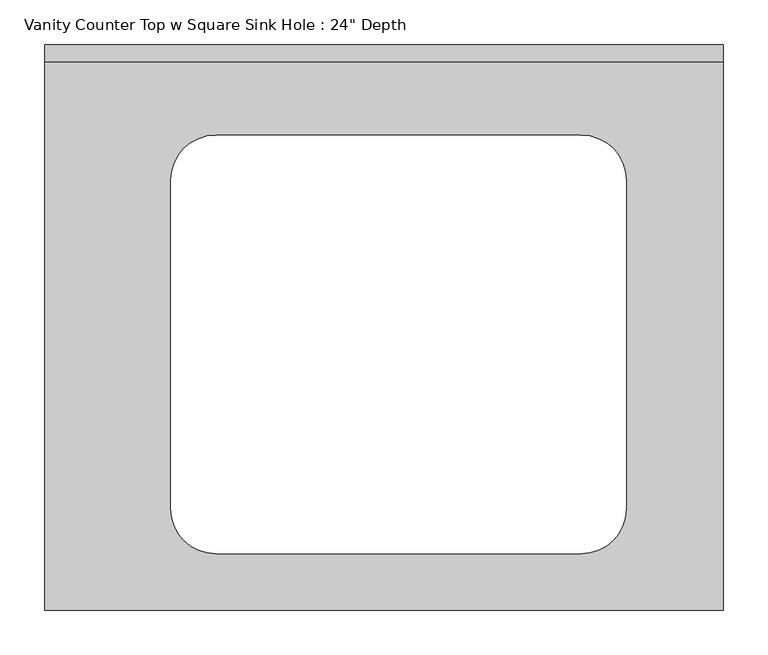
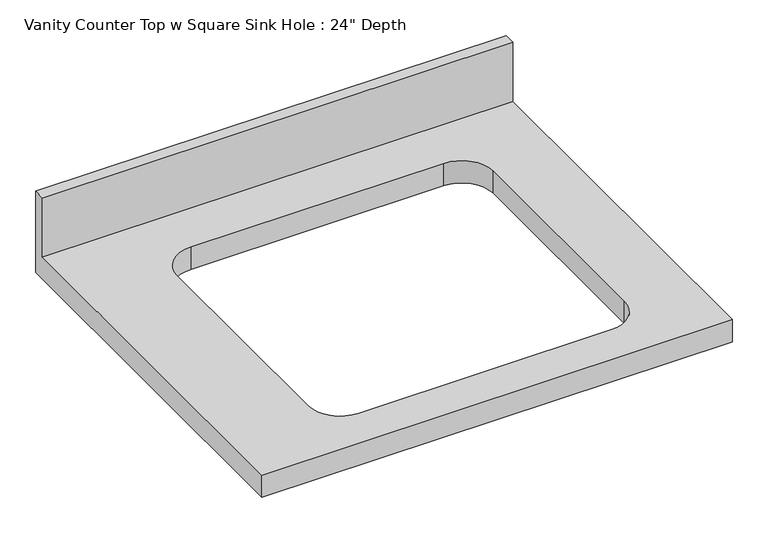
"""IFC4 building model written with IfcOpenShell, lengths in millimetres: furniture geometry."""

from ifc_helpers import new_model, si_unit, frame, origin, place, context, project, spatial, polyline, circle_curve, source, transform, mapped, element, save
from ifc_brep_helpers import plane_surface, revolved_surface, advanced_brep


def furniture_66463aba(model_context):
    return source(origin(), model_context, "Body", "AdvancedBrep", [
        advanced_brep(
        [(-1268.7247951, -635.0, 787.4), (-506.7247951, -635.0, 787.4), (-506.7247951, -19.05, 787.4), (-1268.7247951, -19.05, 787.4), (-1127.1750938, -152.4, 787.4), (-1076.3750938, -101.6, 787.4), (-666.5287654, -101.6, 787.4), (-615.7287654, -152.4, 787.4), (-615.7287654, -520.7, 787.4), (-666.5287654, -571.5, 787.4), (-1076.3750938, -571.5, 787.4), (-1127.1750938, -520.7, 787.4), (-506.7247951, 0.0, 749.3), (-506.7247951, -635.0, 749.3), (-1268.7247951, -635.0, 749.3), (-1268.7247951, 0.0, 749.3), (-1076.3750938, -101.6, 749.3), (-1127.1750938, -152.4, 749.3), (-1127.1750938, -520.7, 749.3), (-1076.3750938, -571.5, 749.3), (-666.5287654, -571.5, 749.3), (-615.7287654, -520.7, 749.3), (-615.7287654, -152.4, 749.3), (-666.5287654, -101.6, 749.3), (-1268.7247951, 0.0, 889.0), (-506.7247951, 0.0, 889.0), (-1268.7247951, -19.05, 889.0), (-506.7247951, -19.05, 889.0)],
        [
            (0, 1),
            (1, 2),
            (2, 3),
            (3, 0),
            (4, 5, circle_curve(frame((-1076.3750938, -152.4, 787.4), z_axis=(0.0, 0.0, -1.0), x_axis=(1.0, 0.0, 0.0)), 50.8)),
            (5, 6),
            (6, 7, circle_curve(frame((-666.5287654, -152.4, 787.4), z_axis=(0.0, 0.0, -1.0), x_axis=(1.0, 0.0, 0.0)), 50.8)),
            (7, 8),
            (8, 9, circle_curve(frame((-666.5287654, -520.7, 787.4), z_axis=(0.0, 0.0, -1.0), x_axis=(1.0, 0.0, 0.0)), 50.8)),
            (9, 10),
            (10, 11, circle_curve(frame((-1076.3750938, -520.7, 787.4), z_axis=(0.0, 0.0, -1.0), x_axis=(1.0, 0.0, 0.0)), 50.8)),
            (11, 4),
            (12, 13),
            (13, 14),
            (14, 15),
            (15, 12),
            (16, 17, circle_curve(frame((-1076.3750938, -152.4, 749.3), z_axis=(0.0, 0.0, 1.0), x_axis=(1.0, 0.0, 0.0)), 50.8)),
            (17, 18),
            (18, 19, circle_curve(frame((-1076.3750938, -520.7, 749.3), z_axis=(0.0, 0.0, 1.0), x_axis=(1.0, 0.0, 0.0)), 50.8)),
            (19, 20),
            (20, 21, circle_curve(frame((-666.5287654, -520.7, 749.3), z_axis=(0.0, 0.0, 1.0), x_axis=(1.0, 0.0, 0.0)), 50.8)),
            (21, 22),
            (22, 23, circle_curve(frame((-666.5287654, -152.4, 749.3), z_axis=(0.0, 0.0, 1.0), x_axis=(1.0, 0.0, 0.0)), 50.8)),
            (23, 16),
            (15, 24),
            (24, 25),
            (25, 12),
            (14, 0),
            (3, 26),
            (26, 24),
            (13, 1),
            (25, 27),
            (27, 2),
            (26, 27),
            (4, 17),
            (16, 5),
            (11, 18),
            (10, 19),
            (9, 20),
            (8, 21),
            (7, 22),
            (6, 23),
        ],
        [
            plane_surface(frame((-1268.7247951, 0.0, 787.4), z_axis=(0.0, 0.0, 1.0), x_axis=(-1.0, 0.0, 0.0))),
            plane_surface(frame((-1268.7247951, 0.0, 749.3), z_axis=(0.0, 0.0, -1.0), x_axis=(1.0, 0.0, 0.0))),
            plane_surface(frame((-506.7247951, 0.0, 787.4), z_axis=(0.0, 1.0, 0.0), x_axis=(0.0, 0.0, -1.0))),
            plane_surface(frame((-1268.7247951, 0.0, 787.4), z_axis=(-1.0, 0.0, 0.0), x_axis=(0.0, 0.0, -1.0))),
            plane_surface(frame((-1268.7247951, -635.0, 787.4), z_axis=(0.0, -1.0, 0.0), x_axis=(0.0, 0.0, -1.0))),
            plane_surface(frame((-506.7247951, -635.0, 787.4), z_axis=(1.0, 0.0, 0.0), x_axis=(0.0, 0.0, -1.0))),
            plane_surface(frame((-1268.7247951, 0.0, 889.0), z_axis=(0.0, 0.0, 1.0), x_axis=(0.0, -1.0, 0.0))),
            plane_surface(frame((-1268.7247951, -19.05, 889.0), z_axis=(0.0, -1.0, 0.0), x_axis=(0.0, 0.0, -1.0))),
            revolved_surface(polyline([(-1025.5750938, -152.4, 787.4), (-1025.5750938, -152.4, 749.3)]), (-1076.3750938, -152.4, 749.3), (0.0, 0.0, 1.0)),
            plane_surface(frame((-1127.1750938, -152.4, 787.4), z_axis=(1.0, 0.0, 0.0), x_axis=(0.0, 0.0, -1.0))),
            revolved_surface(polyline([(-1025.5750938, -520.7, 787.4), (-1025.5750938, -520.7, 749.3)]), (-1076.3750938, -520.7, 749.3), (0.0, 0.0, 1.0)),
            plane_surface(frame((-1076.3750938, -571.5, 787.4), z_axis=(0.0, 1.0, 0.0), x_axis=(0.0, 0.0, -1.0))),
            revolved_surface(polyline([(-615.7287654, -520.7, 787.4), (-615.7287654, -520.7, 749.3)]), (-666.5287654, -520.7, 749.3), (0.0, 0.0, 1.0)),
            plane_surface(frame((-615.7287654, -520.7, 787.4), z_axis=(-1.0, 0.0, 0.0), x_axis=(0.0, 0.0, -1.0))),
            revolved_surface(polyline([(-615.7287654, -152.4, 787.4), (-615.7287654, -152.4, 749.3)]), (-666.5287654, -152.4, 749.3), (0.0, 0.0, 1.0)),
            plane_surface(frame((-666.5287654, -101.6, 787.4), z_axis=(0.0, -1.0, 0.0), x_axis=(0.0, 0.0, -1.0))),
        ],
        [
            (0, [[1, 2, 3, 4], [5, 6, 7, 8, 9, 10, 11, 12]]),
            (1, [[13, 14, 15, 16], [17, 18, 19, 20, 21, 22, 23, 24]]),
            (2, [[-16, 25, 26, 27]]),
            (3, [[-15, 28, -4, 29, 30, -25]]),
            (4, [[-1, -28, -14, 31]]),
            (5, [[-13, -27, 32, 33, -2, -31]]),
            (6, [[-30, 34, -32, -26]]),
            (7, [[-34, -29, -3, -33]]),
            (8, [[35, -17, 36, -5]]),
            (9, [[-35, -12, 37, -18]]),
            (10, [[-37, -11, 38, -19]]),
            (11, [[-38, -10, 39, -20]]),
            (12, [[-39, -9, 40, -21]]),
            (13, [[-40, -8, 41, -22]]),
            (14, [[-41, -7, 42, -23]]),
            (15, [[-36, -24, -42, -6]]),
        ],
    ),
    ])


if __name__ == "__main__":
    model = new_model("IFC4")
    model_context = context("Model", 3, world=origin())
    ifc_project = project(units=[si_unit("LENGTHUNIT", "METRE", prefix="MILLI")], contexts=[model_context])
    site = spatial("IfcSite", under=ifc_project)
    building = spatial("IfcBuilding", under=site)
    placement = place(None, origin())
    furniture_shape = furniture_66463aba(model_context)
    element("IfcFurniture", 1, ObjectType="Vanity Counter Top w Square Sink Hole : 24\" Depth", at=placement, inside=building, context=model_context, shape_type="MappedRepresentation", body=[
        mapped(furniture_shape, transform((0.0, 0.0, 0.0), x_axis=(1.0, 0.0, 0.0), y_axis=(0.0, 1.0, 0.0), z_axis=(0.0, 0.0, 1.0))),
    ])
    save(model, "model.ifc")
